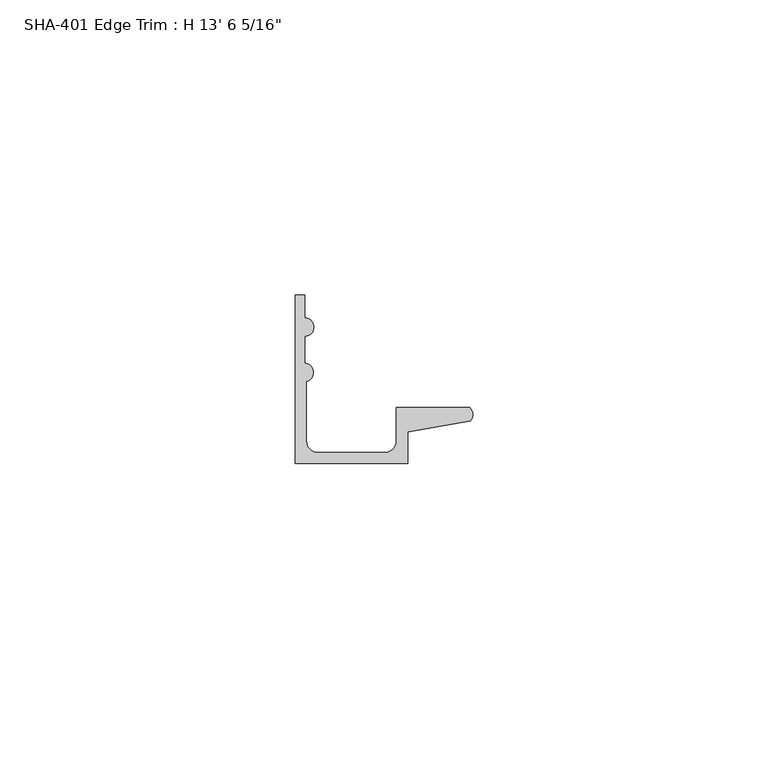
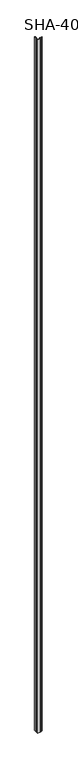
"""IFC4 building model written with IfcOpenShell, lengths in millimetres: proxy geometry."""

from ifc_helpers import new_model, si_unit, point, frame_2d, origin, origin_with_axes, place, context, project, spatial, polyline, circle_curve, trimmed, segment, composite_curve, outline, extrude, source, transform, mapped, element, save


def proxy_63d9b73b(model_context):
    return source(origin(), model_context, "Body", "SweptSolid", [
        extrude(outline(composite_curve([segment(polyline([(29.6006869, 7.2036308), (19.0246, 5.392657), (19.0246, 0.0), (0.0, 0.0), (0.0, 13.8696178), (0.0, 28.575), (1.5748, 28.575), (1.5748, 24.7045919)]), True, "CONTINUOUS"), segment(trimmed(circle_curve(frame_2d((1.5748, 23.1297919)), 1.5748), [point((1.5748, 24.7045919))], [point((1.5748, 21.5549919))], False, "CARTESIAN"), True, "CONTINUOUS"), segment(polyline([(1.5748, 21.5549919), (1.5748, 17.018)]), True, "CONTINUOUS"), segment(trimmed(circle_curve(frame_2d((1.4838146, 15.4432)), 1.5774262), [point((1.5748, 17.018))], [point((1.905, 13.9230434))], False, "CARTESIAN"), True, "CONTINUOUS"), segment(polyline([(1.905, 13.9230434), (1.905, 3.81)]), True, "CONTINUOUS"), segment(trimmed(circle_curve(frame_2d((3.81, 3.81)), 1.905), [point((1.905, 3.81))], [point((3.81, 1.905))], True, "CARTESIAN"), True, "CONTINUOUS"), segment(polyline([(3.81, 1.905), (15.2146, 1.905)]), True, "CONTINUOUS"), segment(trimmed(circle_curve(frame_2d((15.2146, 3.81)), 1.905), [point((15.2146, 1.905))], [point((17.1196, 3.81))], True, "CARTESIAN"), True, "CONTINUOUS"), segment(polyline([(17.1196, 3.81), (17.1196, 9.525), (29.5346031, 9.525)]), True, "CONTINUOUS"), segment(trimmed(circle_curve(frame_2d((28.4438454, 8.3323235)), 1.6162393), [point((29.5346031, 9.525))], [point((29.6006869, 7.2036308))], False, "CARTESIAN"), True, "CONTINUOUS")], self_intersect=False)), origin_with_axes(), (0.0, 0.0, 1.0), 4122.7375),
    ])


if __name__ == "__main__":
    model = new_model("IFC4")
    model_context = context("Model", 3, world=origin())
    ifc_project = project(units=[si_unit("LENGTHUNIT", "METRE", prefix="MILLI")], contexts=[model_context])
    site = spatial("IfcSite", under=ifc_project)
    building = spatial("IfcBuilding", under=site)
    placement = place(None, origin())
    proxy_shape = proxy_63d9b73b(model_context)
    element("IfcBuildingElementProxy", 1, Name="SHA-401 Edge Trim : H 13' 6 5/16\"", ObjectType="SHA-401 Edge Trim : H 13' 6 5/16\"", at=placement, inside=building, context=model_context, shape_type="MappedRepresentation", body=[
        mapped(proxy_shape, transform((0.0, 0.0, 0.0), x_axis=(1.0, 0.0, 0.0), y_axis=(0.0, 1.0, 0.0), z_axis=(0.0, 0.0, 1.0))),
    ])
    save(model, "model.ifc")
